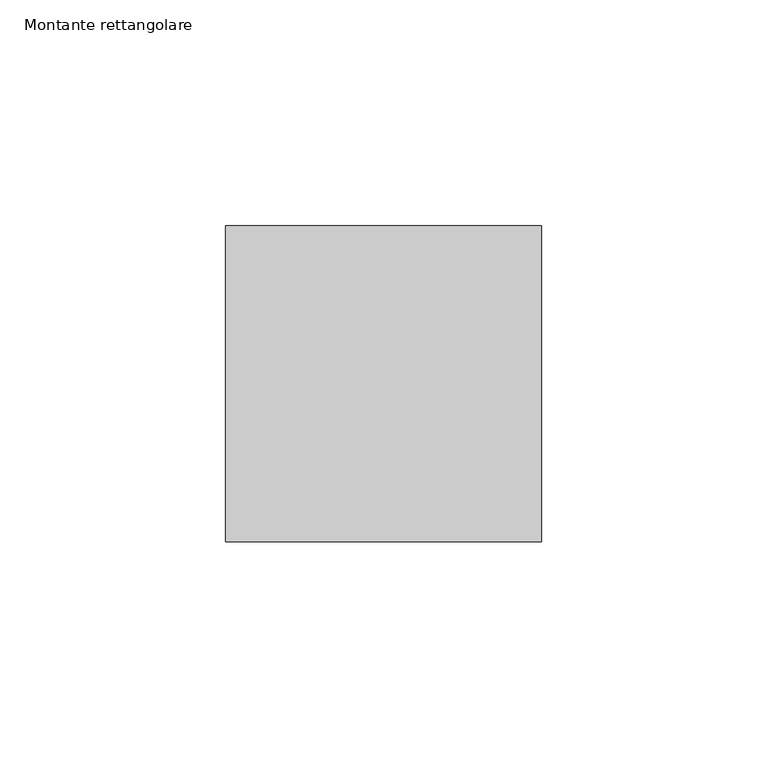
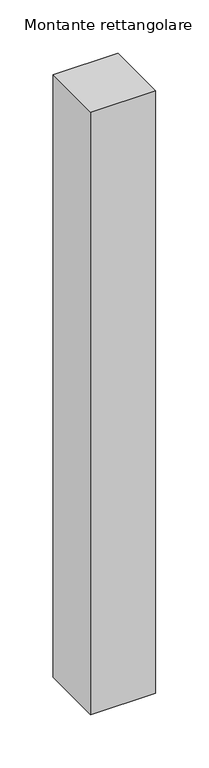
"""IFC4 building model written with IfcOpenShell, lengths in millimetres: member geometry, Montante rettangolare."""

import ifcopenshell
import ifcopenshell.guid

model = None  # the IFC model being written
_history = None  # IfcOwnerHistory: only IFC2X3 demands one
_inside = {}  # id of a spatial element -> (the spatial element, [elements in it])
_under = {}  # id of a project, library or spatial element -> (it, [spatial elements below it])
_declared = {}  # id of a project -> (the project, [libraries it declares])
_typed = {}  # id of a type object -> (the type object, [elements of that type])
_made_of = {}  # id of a material, layer set ... -> (it, [elements and type objects made of it])


def new_model(schema):
    """Start an empty IFC model of exactly this schema.

    Asked for "IFC4X3", IfcOpenShell would pick the latest addendum, in which some entities
    have other attributes; the version numbers below select the first issue.
    IFC2X3 requires an IfcOwnerHistory on every rooted entity: one is made here for all.
    """
    global model, _history
    if schema == "IFC4X3":
        model = ifcopenshell.file(schema_version=(4, 3, 0, 0))
    else:
        model = ifcopenshell.file(schema=schema)
    _inside.clear()
    _under.clear()
    _declared.clear()
    _typed.clear()
    _made_of.clear()
    _history = None
    if model.schema == "IFC2X3":
        org = make("IfcOrganization", Name="unknown")
        user = make(
            "IfcPersonAndOrganization",
            ThePerson=make("IfcPerson", FamilyName="unknown"),
            TheOrganization=org,
        )
        app = make(
            "IfcApplication",
            ApplicationDeveloper=org,
            Version="unknown",
            ApplicationFullName="unknown",
            ApplicationIdentifier="unknown",
        )
        _history = make(
            "IfcOwnerHistory",
            OwningUser=user,
            OwningApplication=app,
            ChangeAction="ADDED",
            CreationDate=0,
        )
    return model


def make(cls, **values):
    """One entity of the class cls with the attributes given. An attribute that is None is left unset."""
    return model.create_entity(
        cls, **{name: value for name, value in values.items() if value is not None}
    )


def rooted(cls, **values):
    """An entity with a GlobalId (a new one), such as an element, a storey or a relation."""
    return make(cls, GlobalId=ifcopenshell.guid.new(), OwnerHistory=_history, **values)


def si_unit(unit_type, name, prefix=None):
    """IfcSIUnit, for example si_unit("LENGTHUNIT", "METRE", prefix="MILLI")."""
    return make("IfcSIUnit", UnitType=unit_type, Prefix=prefix, Name=name)


def assignment(units):
    """IfcUnitAssignment: the units of a project."""
    return None if units is None else make("IfcUnitAssignment", Units=units)


def point(xyz):
    """IfcCartesianPoint."""
    return None if xyz is None else make("IfcCartesianPoint", Coordinates=xyz)


def direction(xyz):
    """IfcDirection."""
    return None if xyz is None else make("IfcDirection", DirectionRatios=xyz)


def frame(location, z_axis=None, x_axis=None):
    """IfcAxis2Placement3D, a coordinate frame: its origin and axes. An axis left out is left unset."""
    return make(
        "IfcAxis2Placement3D",
        Location=point(location),
        Axis=direction(z_axis),
        RefDirection=direction(x_axis),
    )


def origin():
    """The frame at (0, 0, 0) with its axes left unset."""
    return frame((0.0, 0.0, 0.0))


def place(relative_to, where):
    """IfcLocalPlacement: puts the frame where relative to a parent placement (None: the world)."""
    return make(
        "IfcLocalPlacement", PlacementRelTo=relative_to, RelativePlacement=where
    )


def context(
    kind, dimensions, precision=None, world=None, true_north=None, identifier=None
):
    """IfcGeometricRepresentationContext, for example the 3D "Model" context."""
    return make(
        "IfcGeometricRepresentationContext",
        ContextIdentifier=identifier,
        ContextType=kind,
        CoordinateSpaceDimension=dimensions,
        Precision=precision,
        WorldCoordinateSystem=world,
        TrueNorth=true_north,
    )


def project(units=None, contexts=None):
    """IfcProject with its units and contexts."""
    return rooted(
        "IfcProject",
        Name="project",
        RepresentationContexts=contexts,
        UnitsInContext=assignment(units),
    )


def spatial(cls, under=None, at=None, **own):
    """A site, building, storey or space (cls), placed at a placement, below another one or the project."""
    s = rooted(cls, ObjectPlacement=at, **own)
    if under is not None:
        _under.setdefault(under.id(), (under, []))[1].append(s)
    return s


def polyline(points):
    """IfcPolyline through the points."""
    return make("IfcPolyline", Points=[point(p) for p in points])


def outline(outer, holes=None, kind="AREA"):
    """IfcArbitraryClosedProfileDef: a profile drawn as a closed curve; with holes, ...WithVoids."""
    if holes is None:
        return make("IfcArbitraryClosedProfileDef", ProfileType=kind, OuterCurve=outer)
    return make(
        "IfcArbitraryProfileDefWithVoids",
        ProfileType=kind,
        OuterCurve=outer,
        InnerCurves=holes,
    )


def extrude(swept, where, along, depth):
    """IfcExtrudedAreaSolid: the profile swept, set in the frame where, extruded along a direction by depth."""
    return make(
        "IfcExtrudedAreaSolid",
        SweptArea=swept,
        Position=where,
        ExtrudedDirection=direction(along),
        Depth=depth,
    )


def shape(context_of_items, identifier, shape_type, items):
    """IfcShapeRepresentation: the items that make up one representation, for example the "Body"."""
    return make(
        "IfcShapeRepresentation",
        ContextOfItems=context_of_items,
        RepresentationIdentifier=identifier,
        RepresentationType=shape_type,
        Items=items,
    )


def source(mapping_origin, context_of_items, identifier, shape_type, items):
    """IfcRepresentationMap: a shape defined once, which mapped items show again and again."""
    return make(
        "IfcRepresentationMap",
        MappingOrigin=mapping_origin,
        MappedRepresentation=shape(context_of_items, identifier, shape_type, items),
    )


def transform(
    local_origin,
    x_axis=None,
    y_axis=None,
    z_axis=None,
    scale=None,
    scale2=None,
    scale3=None,
    uniform=True,
):
    """IfcCartesianTransformationOperator3D, or its non-uniform kind. x_axis, y_axis, z_axis: its Axis1, 2, 3."""
    if uniform:
        return make(
            "IfcCartesianTransformationOperator3D",
            Axis1=direction(x_axis),
            Axis2=direction(y_axis),
            LocalOrigin=point(local_origin),
            Scale=scale,
            Axis3=direction(z_axis),
        )
    return make(
        "IfcCartesianTransformationOperator3DnonUniform",
        Axis1=direction(x_axis),
        Axis2=direction(y_axis),
        LocalOrigin=point(local_origin),
        Scale=scale,
        Axis3=direction(z_axis),
        Scale2=scale2,
        Scale3=scale3,
    )


def mapped(mapping_source, mapping_target):
    """IfcMappedItem: shows the shape of a source again, moved by a transform."""
    return make(
        "IfcMappedItem", MappingSource=mapping_source, MappingTarget=mapping_target
    )


def made_of(thing, what):
    """Note that an element or type object is made of a material, layer set ...; save() writes the relation."""
    if what is not None:
        _made_of.setdefault(what.id(), (what, []))[1].append(thing)
    return thing


def element(
    cls,
    number,
    at=None,
    inside=None,
    cuts=None,
    type_object=None,
    material=None,
    context=None,
    identifier="Body",
    shape_type=None,
    held_by="IfcProductDefinitionShape",
    body=None,
    shapes=None,
    **own,
):
    """One element of the class cls, such as IfcWall. Its Tag is "e" and its number.

    at: its placement. inside: the storey or other place that contains it. cuts: it is an
    opening in that element (IfcRelVoidsElement). A single representation is given by context,
    identifier, shape_type and body (its items); several are given by shapes. held_by: the class
    of the entity that holds the representations. save() writes the other relations.
    """
    e = rooted(cls, Tag="e%d" % number, ObjectPlacement=at, **own)
    if body is not None:
        shapes = [shape(context, identifier, shape_type, body)]
    if shapes is not None:
        e.Representation = make(held_by, Representations=shapes)
    if inside is not None:
        _inside.setdefault(inside.id(), (inside, []))[1].append(e)
    if cuts is not None:
        rooted(
            "IfcRelVoidsElement", RelatingBuildingElement=cuts, RelatedOpeningElement=e
        )
    if type_object is not None:
        _typed.setdefault(type_object.id(), (type_object, []))[1].append(e)
    return made_of(e, material)


def aggregate(whole, parts):
    """IfcRelAggregates: a whole, such as a stair, and the parts it consists of."""
    return rooted("IfcRelAggregates", RelatingObject=whole, RelatedObjects=parts)


def save(model, path):
    """Write the relations noted so far, then the file.

    IfcRelAggregates (storeys below a building ...), IfcRelContainedInSpatialStructure (elements
    in a storey), IfcRelDefinesByType, IfcRelAssociatesMaterial and IfcRelDeclares: one each for
    every whole, place, type object, material and project.
    """
    for whole, parts in _under.values():
        aggregate(whole, parts)
    for where, things in _inside.values():
        rooted(
            "IfcRelContainedInSpatialStructure",
            RelatedElements=things,
            RelatingStructure=where,
        )
    for kind, things in _typed.values():
        rooted("IfcRelDefinesByType", RelatedObjects=things, RelatingType=kind)
    for what, things in _made_of.values():
        rooted("IfcRelAssociatesMaterial", RelatedObjects=things, RelatingMaterial=what)
    for by, libraries in _declared.values():
        rooted("IfcRelDeclares", RelatingContext=by, RelatedDefinitions=libraries)
    model.write(path)


def montante_rettangolare_290436a4(model_context):
    return source(origin(), model_context, "Body", "SweptSolid", [
        extrude(outline(polyline([(35.0, 35.0), (35.0, -35.0), (-35.0, -35.0), (-35.0, 35.0), (35.0, 35.0)])), frame((0.0, 0.0, -687.8813849), z_axis=(0.0, 0.0, 1.0), x_axis=(1.0, 0.0, 0.0)), (0.0, 0.0, 1.0), 687.8813849),
    ])


if __name__ == "__main__":
    model = new_model("IFC4")
    model_context = context("Model", 3, world=origin())
    ifc_project = project(units=[si_unit("LENGTHUNIT", "METRE", prefix="MILLI")], contexts=[model_context])
    site = spatial("IfcSite", under=ifc_project)
    building = spatial("IfcBuilding", under=site)
    placement = place(None, origin())
    montante_rettangolare_shape = montante_rettangolare_290436a4(model_context)
    element("IfcMember", 1, ObjectType="Montante rettangolare", at=placement, inside=building, context=model_context, shape_type="MappedRepresentation", body=[
        mapped(montante_rettangolare_shape, transform((0.0, 0.0, 0.0), x_axis=(1.0, 0.0, 0.0), y_axis=(0.0, 1.0, 0.0), z_axis=(0.0, 0.0, 1.0))),
    ])
    save(model, "model.ifc")
